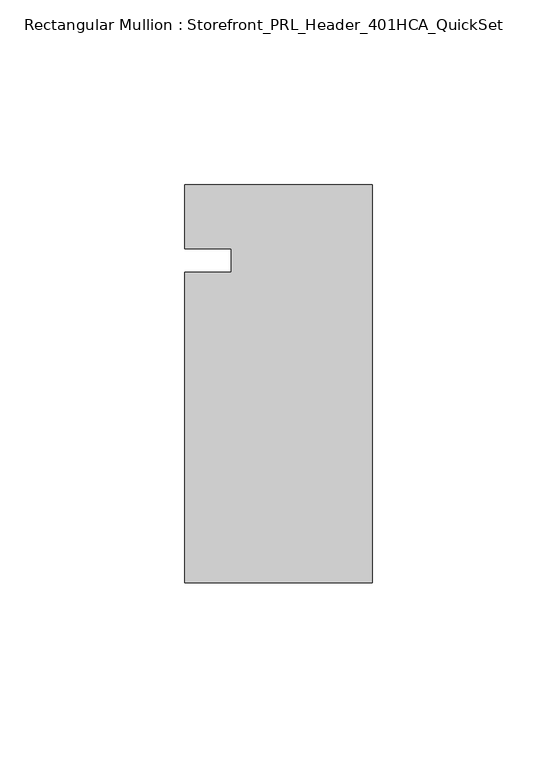
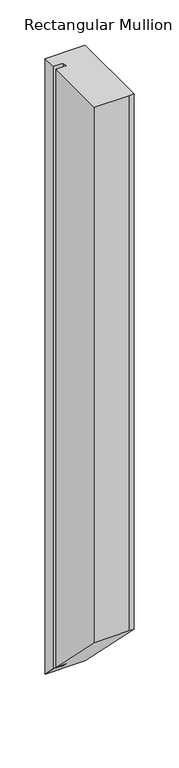
"""IFC4 building model written with IfcOpenShell, lengths in millimetres: member geometry, Rectangular Mullion : Storefront_PRL_Header_401HCA_QuickSet."""

from ifc_helpers import new_model, si_unit, origin, place, context, project, spatial, faceted_brep, source, transform, mapped, element, save


def rectangular_mullion_storefront_prl_header_401hca_quickset_90d829b6(model_context):
    return source(origin(), model_context, "Body", "Brep", [
        faceted_brep([(-38.1, -3.175, 0.0), (-50.8, -3.175, 0.0), (-50.8, -87.3125, 0.0), (-6.35, -87.3125, 0.0), (0.0, -87.3125, 0.0), (0.0, 20.6375, 0.0), (-7.7254924, 20.6375, 0.0), (-50.8, 20.6375, 0.0), (-50.8, 3.175, 0.0), (-38.1, 3.175, 0.0), (-38.1, -3.175, -805.3916667), (-50.8, -3.175, -805.3916667), (-50.8, -87.3125, -721.2541667), (-6.35, -87.3125, -721.2541667), (0.0, -87.3125, -721.2541667), (0.0, 20.6375, -829.2041667), (-7.7254924, 20.6375, -829.2041667), (-50.8, 20.6375, -829.2041667), (-50.8, 3.175, -811.7416667), (-38.1, 3.175, -811.7416667)], [[[0, 1, 2, 3, 4, 5, 6, 7, 8, 9]], [[1, 0, 10, 11]], [[2, 1, 11, 12]], [[3, 2, 12, 13]], [[4, 3, 13, 14]], [[5, 4, 14, 15]], [[6, 5, 15, 16]], [[7, 6, 16, 17]], [[8, 7, 17, 18]], [[9, 8, 18, 19]], [[0, 9, 19, 10]], [[10, 19, 18, 17, 16, 15, 14, 13, 12, 11]]]),
    ])


if __name__ == "__main__":
    model = new_model("IFC4")
    model_context = context("Model", 3, world=origin())
    ifc_project = project(units=[si_unit("LENGTHUNIT", "METRE", prefix="MILLI")], contexts=[model_context])
    site = spatial("IfcSite", under=ifc_project)
    building = spatial("IfcBuilding", under=site)
    placement = place(None, origin())
    rectangular_mullion_storefront_prl_header_401hca_quickset_shape = rectangular_mullion_storefront_prl_header_401hca_quickset_90d829b6(model_context)
    element("IfcMember", 1, ObjectType="Rectangular Mullion : Storefront_PRL_Header_401HCA_QuickSet", at=placement, inside=building, context=model_context, shape_type="MappedRepresentation", body=[
        mapped(rectangular_mullion_storefront_prl_header_401hca_quickset_shape, transform((0.0, 0.0, 0.0), x_axis=(1.0, 0.0, 0.0), y_axis=(0.0, 1.0, 0.0), z_axis=(0.0, 0.0, 1.0))),
    ])
    save(model, "model.ifc")
